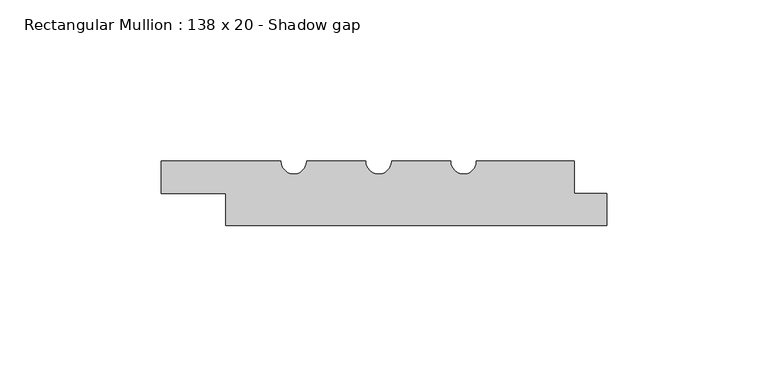
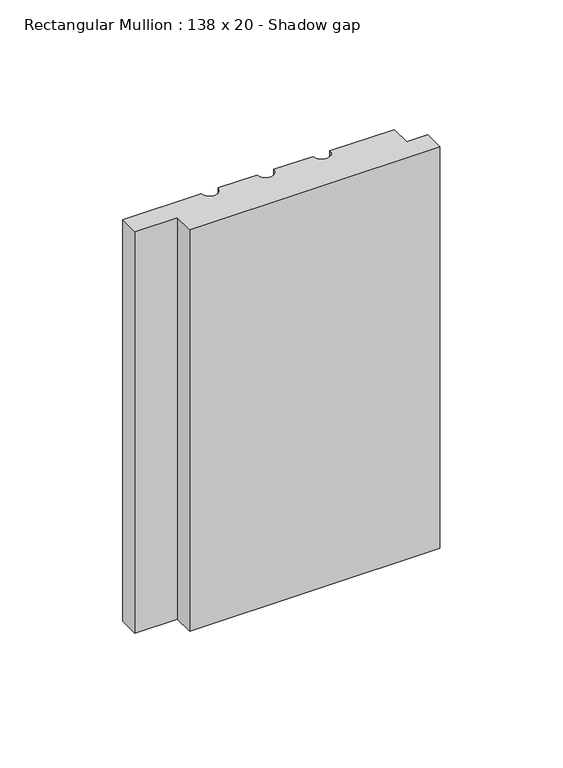
"""IFC4 building model written with IfcOpenShell, lengths in millimetres: member geometry, Rectangular Mullion : 138 x 20 - Shadow gap."""

from ifc_helpers import new_model, si_unit, point, frame, frame_2d, origin, place, context, project, spatial, polyline, circle_curve, trimmed, segment, composite_curve, outline, extrude, source, transform, mapped, element, save


def rectangular_mullion_138_x_20_shadow_gap_94b5b736(model_context):
    return source(origin(), model_context, "Body", "SweptSolid", [
        extrude(outline(composite_curve([segment(polyline([(-40.3418977, 0.0), (-10.0, 0.0), (-10.0, -10.0), (0.0, -10.0), (0.0, -20.0), (-118.0, -20.0), (-118.0, -10.0), (-138.0, -10.0), (-138.0, 0.0), (-101.0, 0.0)]), True, "CONTINUOUS"), segment(trimmed(circle_curve(frame_2d((-97.0, 0.0)), 4.0), [point((-101.0, 0.0))], [point((-93.0, 0.0))], True, "CARTESIAN"), True, "CONTINUOUS"), segment(polyline([(-93.0, 0.0), (-74.6755708, 0.0)]), True, "CONTINUOUS"), segment(trimmed(circle_curve(frame_2d((-70.6755708, 0.0)), 4.0), [point((-74.6755708, 0.0))], [point((-66.6755708, 0.0))], True, "CARTESIAN"), True, "CONTINUOUS"), segment(polyline([(-66.6755708, 0.0), (-48.3418977, 0.0)]), True, "CONTINUOUS"), segment(trimmed(circle_curve(frame_2d((-44.3418977, 0.0)), 4.0), [point((-48.3418977, 0.0))], [point((-40.3418977, 0.0))], True, "CARTESIAN"), True, "CONTINUOUS")], self_intersect=False)), frame((0.0, 0.0, -200.0), z_axis=(0.0, 0.0, 1.0), x_axis=(1.0, 0.0, 0.0)), (0.0, 0.0, 1.0), 200.0),
    ])


if __name__ == "__main__":
    model = new_model("IFC4")
    model_context = context("Model", 3, world=origin())
    ifc_project = project(units=[si_unit("LENGTHUNIT", "METRE", prefix="MILLI")], contexts=[model_context])
    site = spatial("IfcSite", under=ifc_project)
    building = spatial("IfcBuilding", under=site)
    placement = place(None, origin())
    rectangular_mullion_138_x_20_shadow_gap_shape = rectangular_mullion_138_x_20_shadow_gap_94b5b736(model_context)
    element("IfcMember", 1, ObjectType="Rectangular Mullion : 138 x 20 - Shadow gap", at=placement, inside=building, context=model_context, shape_type="MappedRepresentation", body=[
        mapped(rectangular_mullion_138_x_20_shadow_gap_shape, transform((0.0, 0.0, 0.0), x_axis=(1.0, 0.0, 0.0), y_axis=(0.0, 1.0, 0.0), z_axis=(0.0, 0.0, 1.0))),
    ])
    save(model, "model.ifc")
